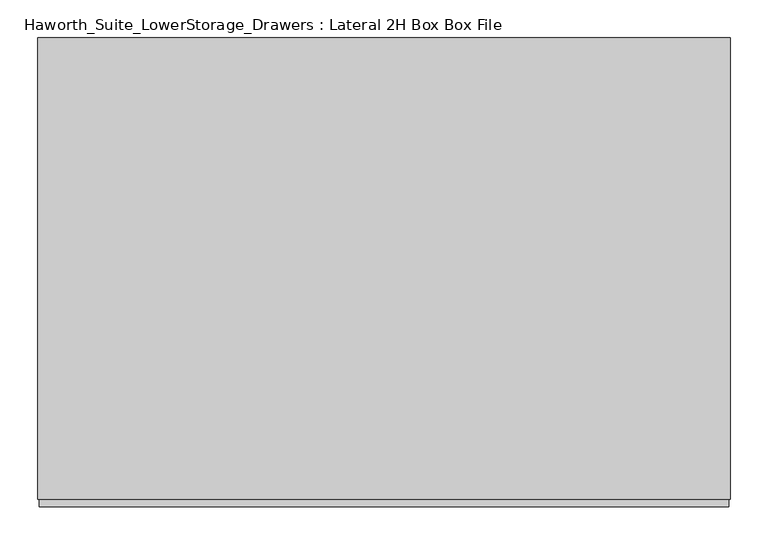
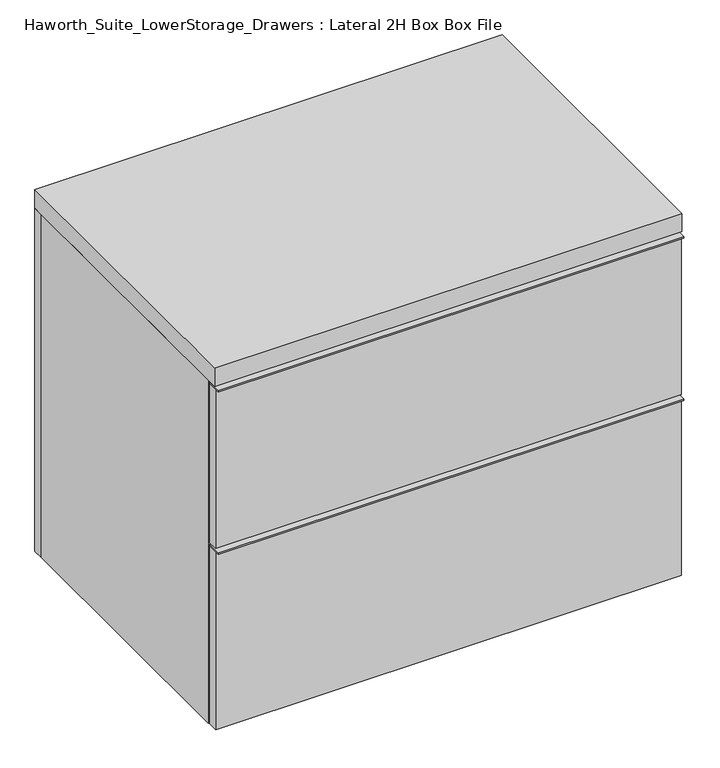
"""IFC4 building model written with IfcOpenShell, lengths in millimetres: furniture geometry, Haworth_Suite_LowerStorage_Drawers : Lateral 2H Box Box File."""

from ifc_helpers import new_model, si_unit, frame, origin, origin_with_axes, place, context, project, spatial, polyline, outline, extrude, source, transform, mapped, element, save


def haworth_suite_lowerstorage_drawers_lateral_2h_box_box_file_594fbaa7(model_context):
    return source(origin(), model_context, "Body", "SweptSolid", [
        extrude(outline(polyline([(442.9125, -631.825), (-468.3125, -631.825), (-468.3125, -603.25), (442.9125, -603.25), (442.9125, -631.825)])), frame((0.0, 0.0, 704.85), z_axis=(0.0, 0.0, 1.0), x_axis=(1.0, 0.0, 0.0)), (0.0, 0.0, 1.0), 3.175),
        extrude(outline(polyline([(442.9125, -603.25), (442.9125, -622.3), (-468.3125, -622.3), (-468.3125, -603.25), (442.9125, -603.25)])), frame((0.0, 0.0, 374.65), z_axis=(0.0, 0.0, 1.0), x_axis=(1.0, 0.0, 0.0)), (0.0, 0.0, 1.0), 330.2),
        extrude(outline(polyline([(442.9125, -631.825), (-468.3125, -631.825), (-468.3125, -603.25), (442.9125, -603.25), (442.9125, -631.825)])), frame((0.0, 0.0, 368.3), z_axis=(0.0, 0.0, 1.0), x_axis=(1.0, 0.0, 0.0)), (0.0, 0.0, 1.0), 3.175),
        extrude(outline(polyline([(442.9125, -603.25), (442.9125, -622.3), (-468.3125, -622.3), (-468.3125, -603.25), (442.9125, -603.25)])), origin_with_axes(), (0.0, 0.0, 1.0), 368.3),
        extrude(outline(polyline([(406.4, -587.375), (406.4, -206.375), (419.1, -206.375), (419.1, -587.375), (406.4, -587.375)])), frame((0.0, 0.0, 539.75), z_axis=(0.0, 0.0, 1.0), x_axis=(1.0, 0.0, 0.0)), (0.0, 0.0, 1.0), 101.6),
        extrude(outline(polyline([(-444.5, -206.375), (-431.8, -206.375), (-431.8, -587.375), (-444.5, -587.375), (-444.5, -206.375)])), frame((0.0, 0.0, 539.75), z_axis=(0.0, 0.0, 1.0), x_axis=(1.0, 0.0, 0.0)), (0.0, 0.0, 1.0), 101.6),
        extrude(outline(polyline([(-444.5, -206.375), (-444.5, -193.675), (419.1, -193.675), (419.1, -206.375), (-444.5, -206.375)])), frame((0.0, 0.0, 539.75), z_axis=(0.0, 0.0, 1.0), x_axis=(1.0, 0.0, 0.0)), (0.0, 0.0, 1.0), 101.6),
        extrude(outline(polyline([(-444.5, -600.075), (-444.5, -587.375), (419.1, -587.375), (419.1, -600.075), (-444.5, -600.075)])), frame((0.0, 0.0, 539.75), z_axis=(0.0, 0.0, 1.0), x_axis=(1.0, 0.0, 0.0)), (0.0, 0.0, 1.0), 101.6),
        extrude(outline(polyline([(-431.8, -587.375), (-431.8, -206.375), (406.4, -206.375), (406.4, -587.375), (-431.8, -587.375)])), frame((0.0, 0.0, 539.75), z_axis=(0.0, 0.0, 1.0), x_axis=(1.0, 0.0, 0.0)), (0.0, 0.0, 1.0), 12.7),
        extrude(outline(polyline([(406.4, -587.375), (406.4, -206.375), (419.1, -206.375), (419.1, -587.375), (406.4, -587.375)])), frame((0.0, 0.0, 374.65), z_axis=(0.0, 0.0, 1.0), x_axis=(1.0, 0.0, 0.0)), (0.0, 0.0, 1.0), 101.6),
        extrude(outline(polyline([(-444.5, -206.375), (-431.8, -206.375), (-431.8, -587.375), (-444.5, -587.375), (-444.5, -206.375)])), frame((0.0, 0.0, 374.65), z_axis=(0.0, 0.0, 1.0), x_axis=(1.0, 0.0, 0.0)), (0.0, 0.0, 1.0), 101.6),
        extrude(outline(polyline([(-444.5, -206.375), (-444.5, -193.675), (419.1, -193.675), (419.1, -206.375), (-444.5, -206.375)])), frame((0.0, 0.0, 374.65), z_axis=(0.0, 0.0, 1.0), x_axis=(1.0, 0.0, 0.0)), (0.0, 0.0, 1.0), 101.6),
        extrude(outline(polyline([(-444.5, -600.075), (-444.5, -587.375), (419.1, -587.375), (419.1, -600.075), (-444.5, -600.075)])), frame((0.0, 0.0, 374.65), z_axis=(0.0, 0.0, 1.0), x_axis=(1.0, 0.0, 0.0)), (0.0, 0.0, 1.0), 101.6),
        extrude(outline(polyline([(-431.8, -587.375), (-431.8, -206.375), (406.4, -206.375), (406.4, -587.375), (-431.8, -587.375)])), frame((0.0, 0.0, 374.65), z_axis=(0.0, 0.0, 1.0), x_axis=(1.0, 0.0, 0.0)), (0.0, 0.0, 1.0), 12.7),
        extrude(outline(polyline([(406.4, -587.375), (406.4, -206.375), (419.1, -206.375), (419.1, -587.375), (406.4, -587.375)])), frame((0.0, 0.0, 50.8), z_axis=(0.0, 0.0, 1.0), x_axis=(1.0, 0.0, 0.0)), (0.0, 0.0, 1.0), 254.0),
        extrude(outline(polyline([(-444.5, -206.375), (-431.8, -206.375), (-431.8, -587.375), (-444.5, -587.375), (-444.5, -206.375)])), frame((0.0, 0.0, 50.8), z_axis=(0.0, 0.0, 1.0), x_axis=(1.0, 0.0, 0.0)), (0.0, 0.0, 1.0), 254.0),
        extrude(outline(polyline([(-444.5, -206.375), (-444.5, -193.675), (419.1, -193.675), (419.1, -206.375), (-444.5, -206.375)])), frame((0.0, 0.0, 50.8), z_axis=(0.0, 0.0, 1.0), x_axis=(1.0, 0.0, 0.0)), (0.0, 0.0, 1.0), 254.0),
        extrude(outline(polyline([(-444.5, -600.075), (-444.5, -587.375), (419.1, -587.375), (419.1, -600.075), (-444.5, -600.075)])), frame((0.0, 0.0, 50.8), z_axis=(0.0, 0.0, 1.0), x_axis=(1.0, 0.0, 0.0)), (0.0, 0.0, 1.0), 254.0),
        extrude(outline(polyline([(-431.8, -587.375), (-431.8, -206.375), (406.4, -206.375), (406.4, -587.375), (-431.8, -587.375)])), frame((0.0, 0.0, 50.8), z_axis=(0.0, 0.0, 1.0), x_axis=(1.0, 0.0, 0.0)), (0.0, 0.0, 1.0), 12.7),
        extrude(outline(polyline([(444.5, -12.7), (444.5, -622.3), (-469.9, -622.3), (-469.9, -12.7), (444.5, -12.7)])), frame((0.0, 0.0, 711.2), z_axis=(0.0, 0.0, 1.0), x_axis=(1.0, 0.0, 0.0)), (0.0, 0.0, 1.0), 38.1),
        extrude(outline(polyline([(692.15, 425.45), (692.15, -450.85), (38.1, -450.85), (38.1, 425.45), (692.15, 425.45)]), holes=[polyline([(590.55, 323.85), (139.7, 323.85), (139.7, -349.25), (590.55, -349.25), (590.55, 323.85)])]), frame((0.0, -152.4, 0.0), z_axis=(0.0, 1.0, 0.0), x_axis=(0.0, 0.0, 1.0)), (0.0, 0.0, 1.0), 19.05),
        extrude(outline(polyline([(444.5, -12.7), (444.5, -31.75), (-469.9, -31.75), (-469.9, -12.7), (444.5, -12.7)])), origin_with_axes(), (0.0, 0.0, 1.0), 711.2),
        extrude(outline(polyline([(425.45, -133.35), (425.45, -501.65), (-450.85, -501.65), (-450.85, -133.35), (425.45, -133.35)])), frame((0.0, 0.0, 692.15), z_axis=(0.0, 0.0, 1.0), x_axis=(1.0, 0.0, 0.0)), (0.0, 0.0, 1.0), 19.05),
        extrude(outline(polyline([(425.45, -31.75), (425.45, -600.075), (-450.85, -600.075), (-450.85, -31.75), (425.45, -31.75)])), origin_with_axes(), (0.0, 0.0, 1.0), 38.1),
        extrude(outline(polyline([(-450.85, -31.75), (-450.85, -600.075), (-469.9, -600.075), (-469.9, -31.75), (-450.85, -31.75)])), origin_with_axes(), (0.0, 0.0, 1.0), 711.2),
        extrude(outline(polyline([(444.5, -600.075), (425.45, -600.075), (425.45, -31.75), (444.5, -31.75), (444.5, -600.075)])), origin_with_axes(), (0.0, 0.0, 1.0), 711.2),
    ])


if __name__ == "__main__":
    model = new_model("IFC4")
    model_context = context("Model", 3, world=origin())
    ifc_project = project(units=[si_unit("LENGTHUNIT", "METRE", prefix="MILLI")], contexts=[model_context])
    site = spatial("IfcSite", under=ifc_project)
    building = spatial("IfcBuilding", under=site)
    placement = place(None, origin())
    haworth_suite_lowerstorage_drawers_lateral_2h_box_box_file_shape = haworth_suite_lowerstorage_drawers_lateral_2h_box_box_file_594fbaa7(model_context)
    element("IfcFurniture", 1, ObjectType="Haworth_Suite_LowerStorage_Drawers : Lateral 2H Box Box File", at=placement, inside=building, context=model_context, shape_type="MappedRepresentation", body=[
        mapped(haworth_suite_lowerstorage_drawers_lateral_2h_box_box_file_shape, transform((0.0, 0.0, 0.0), x_axis=(1.0, 0.0, 0.0), y_axis=(0.0, 1.0, 0.0), z_axis=(0.0, 0.0, 1.0))),
    ])
    save(model, "model.ifc")
